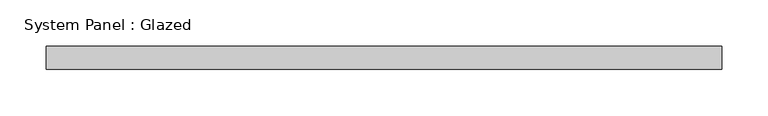
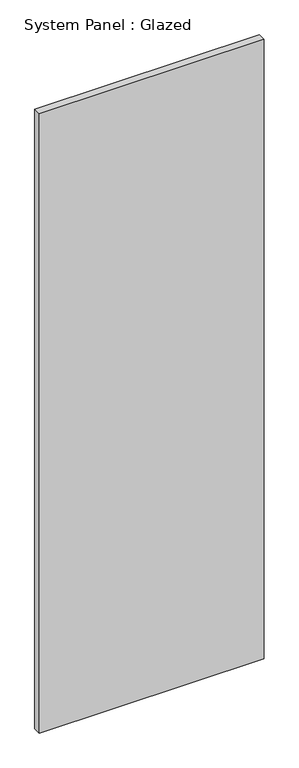
"""IFC4 building model written with IfcOpenShell, lengths in millimetres: plate geometry, System Panel : Glazed."""

import ifcopenshell
import ifcopenshell.guid

model = None  # the IFC model being written
_history = None  # IfcOwnerHistory: only IFC2X3 demands one
_inside = {}  # id of a spatial element -> (the spatial element, [elements in it])
_under = {}  # id of a project, library or spatial element -> (it, [spatial elements below it])
_declared = {}  # id of a project -> (the project, [libraries it declares])
_typed = {}  # id of a type object -> (the type object, [elements of that type])
_made_of = {}  # id of a material, layer set ... -> (it, [elements and type objects made of it])


def new_model(schema):
    """Start an empty IFC model of exactly this schema.

    Asked for "IFC4X3", IfcOpenShell would pick the latest addendum, in which some entities
    have other attributes; the version numbers below select the first issue.
    IFC2X3 requires an IfcOwnerHistory on every rooted entity: one is made here for all.
    """
    global model, _history
    if schema == "IFC4X3":
        model = ifcopenshell.file(schema_version=(4, 3, 0, 0))
    else:
        model = ifcopenshell.file(schema=schema)
    _inside.clear()
    _under.clear()
    _declared.clear()
    _typed.clear()
    _made_of.clear()
    _history = None
    if model.schema == "IFC2X3":
        org = make("IfcOrganization", Name="unknown")
        user = make(
            "IfcPersonAndOrganization",
            ThePerson=make("IfcPerson", FamilyName="unknown"),
            TheOrganization=org,
        )
        app = make(
            "IfcApplication",
            ApplicationDeveloper=org,
            Version="unknown",
            ApplicationFullName="unknown",
            ApplicationIdentifier="unknown",
        )
        _history = make(
            "IfcOwnerHistory",
            OwningUser=user,
            OwningApplication=app,
            ChangeAction="ADDED",
            CreationDate=0,
        )
    return model


def make(cls, **values):
    """One entity of the class cls with the attributes given. An attribute that is None is left unset."""
    return model.create_entity(
        cls, **{name: value for name, value in values.items() if value is not None}
    )


def rooted(cls, **values):
    """An entity with a GlobalId (a new one), such as an element, a storey or a relation."""
    return make(cls, GlobalId=ifcopenshell.guid.new(), OwnerHistory=_history, **values)


def si_unit(unit_type, name, prefix=None):
    """IfcSIUnit, for example si_unit("LENGTHUNIT", "METRE", prefix="MILLI")."""
    return make("IfcSIUnit", UnitType=unit_type, Prefix=prefix, Name=name)


def assignment(units):
    """IfcUnitAssignment: the units of a project."""
    return None if units is None else make("IfcUnitAssignment", Units=units)


def point(xyz):
    """IfcCartesianPoint."""
    return None if xyz is None else make("IfcCartesianPoint", Coordinates=xyz)


def direction(xyz):
    """IfcDirection."""
    return None if xyz is None else make("IfcDirection", DirectionRatios=xyz)


def frame(location, z_axis=None, x_axis=None):
    """IfcAxis2Placement3D, a coordinate frame: its origin and axes. An axis left out is left unset."""
    return make(
        "IfcAxis2Placement3D",
        Location=point(location),
        Axis=direction(z_axis),
        RefDirection=direction(x_axis),
    )


def origin():
    """The frame at (0, 0, 0) with its axes left unset."""
    return frame((0.0, 0.0, 0.0))


def origin_with_axes():
    """The frame at (0, 0, 0) with the z axis (0, 0, 1) and the x axis (1, 0, 0) written out."""
    return frame((0.0, 0.0, 0.0), z_axis=(0.0, 0.0, 1.0), x_axis=(1.0, 0.0, 0.0))


def place(relative_to, where):
    """IfcLocalPlacement: puts the frame where relative to a parent placement (None: the world)."""
    return make(
        "IfcLocalPlacement", PlacementRelTo=relative_to, RelativePlacement=where
    )


def context(
    kind, dimensions, precision=None, world=None, true_north=None, identifier=None
):
    """IfcGeometricRepresentationContext, for example the 3D "Model" context."""
    return make(
        "IfcGeometricRepresentationContext",
        ContextIdentifier=identifier,
        ContextType=kind,
        CoordinateSpaceDimension=dimensions,
        Precision=precision,
        WorldCoordinateSystem=world,
        TrueNorth=true_north,
    )


def project(units=None, contexts=None):
    """IfcProject with its units and contexts."""
    return rooted(
        "IfcProject",
        Name="project",
        RepresentationContexts=contexts,
        UnitsInContext=assignment(units),
    )


def spatial(cls, under=None, at=None, **own):
    """A site, building, storey or space (cls), placed at a placement, below another one or the project."""
    s = rooted(cls, ObjectPlacement=at, **own)
    if under is not None:
        _under.setdefault(under.id(), (under, []))[1].append(s)
    return s


def polyline(points):
    """IfcPolyline through the points."""
    return make("IfcPolyline", Points=[point(p) for p in points])


def outline(outer, holes=None, kind="AREA"):
    """IfcArbitraryClosedProfileDef: a profile drawn as a closed curve; with holes, ...WithVoids."""
    if holes is None:
        return make("IfcArbitraryClosedProfileDef", ProfileType=kind, OuterCurve=outer)
    return make(
        "IfcArbitraryProfileDefWithVoids",
        ProfileType=kind,
        OuterCurve=outer,
        InnerCurves=holes,
    )


def extrude(swept, where, along, depth):
    """IfcExtrudedAreaSolid: the profile swept, set in the frame where, extruded along a direction by depth."""
    return make(
        "IfcExtrudedAreaSolid",
        SweptArea=swept,
        Position=where,
        ExtrudedDirection=direction(along),
        Depth=depth,
    )


def shape(context_of_items, identifier, shape_type, items):
    """IfcShapeRepresentation: the items that make up one representation, for example the "Body"."""
    return make(
        "IfcShapeRepresentation",
        ContextOfItems=context_of_items,
        RepresentationIdentifier=identifier,
        RepresentationType=shape_type,
        Items=items,
    )


def source(mapping_origin, context_of_items, identifier, shape_type, items):
    """IfcRepresentationMap: a shape defined once, which mapped items show again and again."""
    return make(
        "IfcRepresentationMap",
        MappingOrigin=mapping_origin,
        MappedRepresentation=shape(context_of_items, identifier, shape_type, items),
    )


def transform(
    local_origin,
    x_axis=None,
    y_axis=None,
    z_axis=None,
    scale=None,
    scale2=None,
    scale3=None,
    uniform=True,
):
    """IfcCartesianTransformationOperator3D, or its non-uniform kind. x_axis, y_axis, z_axis: its Axis1, 2, 3."""
    if uniform:
        return make(
            "IfcCartesianTransformationOperator3D",
            Axis1=direction(x_axis),
            Axis2=direction(y_axis),
            LocalOrigin=point(local_origin),
            Scale=scale,
            Axis3=direction(z_axis),
        )
    return make(
        "IfcCartesianTransformationOperator3DnonUniform",
        Axis1=direction(x_axis),
        Axis2=direction(y_axis),
        LocalOrigin=point(local_origin),
        Scale=scale,
        Axis3=direction(z_axis),
        Scale2=scale2,
        Scale3=scale3,
    )


def mapped(mapping_source, mapping_target):
    """IfcMappedItem: shows the shape of a source again, moved by a transform."""
    return make(
        "IfcMappedItem", MappingSource=mapping_source, MappingTarget=mapping_target
    )


def made_of(thing, what):
    """Note that an element or type object is made of a material, layer set ...; save() writes the relation."""
    if what is not None:
        _made_of.setdefault(what.id(), (what, []))[1].append(thing)
    return thing


def element(
    cls,
    number,
    at=None,
    inside=None,
    cuts=None,
    type_object=None,
    material=None,
    context=None,
    identifier="Body",
    shape_type=None,
    held_by="IfcProductDefinitionShape",
    body=None,
    shapes=None,
    **own,
):
    """One element of the class cls, such as IfcWall. Its Tag is "e" and its number.

    at: its placement. inside: the storey or other place that contains it. cuts: it is an
    opening in that element (IfcRelVoidsElement). A single representation is given by context,
    identifier, shape_type and body (its items); several are given by shapes. held_by: the class
    of the entity that holds the representations. save() writes the other relations.
    """
    e = rooted(cls, Tag="e%d" % number, ObjectPlacement=at, **own)
    if body is not None:
        shapes = [shape(context, identifier, shape_type, body)]
    if shapes is not None:
        e.Representation = make(held_by, Representations=shapes)
    if inside is not None:
        _inside.setdefault(inside.id(), (inside, []))[1].append(e)
    if cuts is not None:
        rooted(
            "IfcRelVoidsElement", RelatingBuildingElement=cuts, RelatedOpeningElement=e
        )
    if type_object is not None:
        _typed.setdefault(type_object.id(), (type_object, []))[1].append(e)
    return made_of(e, material)


def aggregate(whole, parts):
    """IfcRelAggregates: a whole, such as a stair, and the parts it consists of."""
    return rooted("IfcRelAggregates", RelatingObject=whole, RelatedObjects=parts)


def save(model, path):
    """Write the relations noted so far, then the file.

    IfcRelAggregates (storeys below a building ...), IfcRelContainedInSpatialStructure (elements
    in a storey), IfcRelDefinesByType, IfcRelAssociatesMaterial and IfcRelDeclares: one each for
    every whole, place, type object, material and project.
    """
    for whole, parts in _under.values():
        aggregate(whole, parts)
    for where, things in _inside.values():
        rooted(
            "IfcRelContainedInSpatialStructure",
            RelatedElements=things,
            RelatingStructure=where,
        )
    for kind, things in _typed.values():
        rooted("IfcRelDefinesByType", RelatedObjects=things, RelatingType=kind)
    for what, things in _made_of.values():
        rooted("IfcRelAssociatesMaterial", RelatedObjects=things, RelatingMaterial=what)
    for by, libraries in _declared.values():
        rooted("IfcRelDeclares", RelatingContext=by, RelatedDefinitions=libraries)
    model.write(path)


def system_panel_glazed_c527f038(model_context):
    return source(origin(), model_context, "Body", "SweptSolid", [
        extrude(outline(polyline([(366.7125, -44.45), (-366.7125, -44.45), (-366.7125, -19.05), (366.7125, -19.05), (366.7125, -44.45)])), origin_with_axes(), (0.0, 0.0, 1.0), 2133.6),
    ])


if __name__ == "__main__":
    model = new_model("IFC4")
    model_context = context("Model", 3, world=origin())
    ifc_project = project(units=[si_unit("LENGTHUNIT", "METRE", prefix="MILLI")], contexts=[model_context])
    site = spatial("IfcSite", under=ifc_project)
    building = spatial("IfcBuilding", under=site)
    placement = place(None, origin())
    system_panel_glazed_shape = system_panel_glazed_c527f038(model_context)
    element("IfcPlate", 1, ObjectType="System Panel : Glazed", at=placement, inside=building, context=model_context, shape_type="MappedRepresentation", body=[
        mapped(system_panel_glazed_shape, transform((0.0, 0.0, 0.0), x_axis=(1.0, 0.0, 0.0), y_axis=(0.0, 1.0, 0.0), z_axis=(0.0, 0.0, 1.0))),
    ])
    save(model, "model.ifc")
